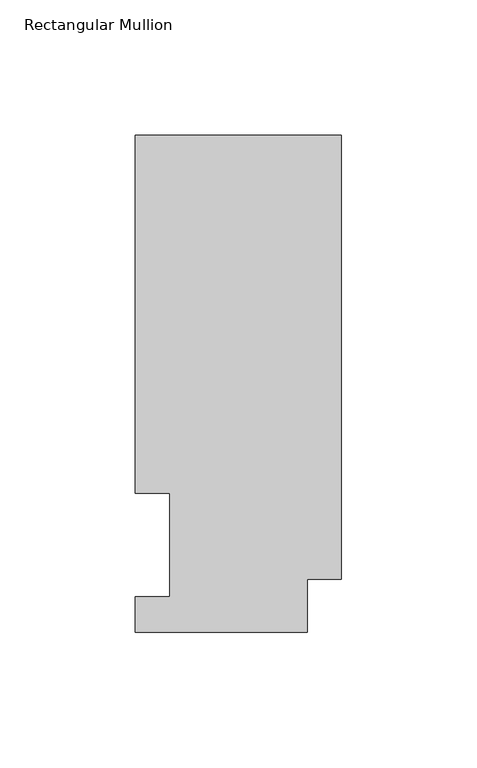
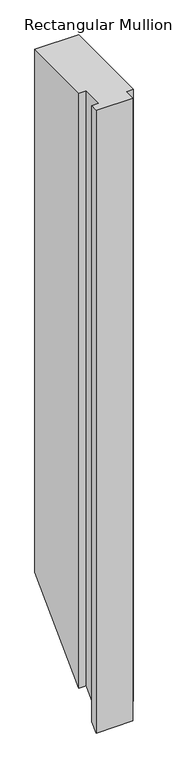
"""IFC4 building model written with IfcOpenShell, lengths in millimetres: member geometry, Rectangular Mullion."""

from ifc_helpers import new_model, si_unit, origin, place, context, project, spatial, faceted_brep, source, transform, mapped, element, save


def rectangular_mullion_c30aecb4(model_context):
    return source(origin(), model_context, "Body", "Brep", [
        faceted_brep([(-76.2000004, 183.6764448, 0.0), (-76.2000004, 51.2960938, 0.0), (-63.5127002, 51.2960938, 0.0), (-63.5127001, 13.2170446, 0.0), (-76.2, 13.2170446, 0.0), (-76.2, 0.0344446, 0.0), (-12.7, 0.0344448, 0.0), (-12.7, 19.5670448, 0.0), (0.0, 19.5670448, 0.0), (0.0, 183.6764448, 0.0), (0.0, 183.6764448, -959.337049), (-76.2000004, 183.6764448, -959.337049), (0.0, 19.5670448, -1123.446449), (-12.7, 19.5670448, -1123.446449), (-12.7, 0.0344448, -1142.979049), (-76.2, 0.0344446, -1142.9790491), (-76.2, 13.2170446, -1129.7964491), (-63.5127001, 13.2170446, -1129.7964491), (-63.5127002, 51.2960938, -1091.7174), (-76.2000004, 51.2960938, -1091.7174)], [[[0, 1, 2, 3, 4, 5, 6, 7, 8, 9]], [[0, 9, 10, 11]], [[9, 8, 12, 10]], [[8, 7, 13, 12]], [[7, 6, 14, 13]], [[6, 5, 15, 14]], [[5, 4, 16, 15]], [[4, 3, 17, 16]], [[3, 2, 18, 17]], [[2, 1, 19, 18]], [[1, 0, 11, 19]], [[11, 10, 12, 13, 14, 15, 16, 17, 18, 19]]]),
    ])


if __name__ == "__main__":
    model = new_model("IFC4")
    model_context = context("Model", 3, world=origin())
    ifc_project = project(units=[si_unit("LENGTHUNIT", "METRE", prefix="MILLI")], contexts=[model_context])
    site = spatial("IfcSite", under=ifc_project)
    building = spatial("IfcBuilding", under=site)
    placement = place(None, origin())
    rectangular_mullion_shape = rectangular_mullion_c30aecb4(model_context)
    element("IfcMember", 1, ObjectType="Rectangular Mullion", at=placement, inside=building, context=model_context, shape_type="MappedRepresentation", body=[
        mapped(rectangular_mullion_shape, transform((0.0, 0.0, 0.0), x_axis=(1.0, 0.0, 0.0), y_axis=(0.0, 1.0, 0.0), z_axis=(0.0, 0.0, 1.0))),
    ])
    save(model, "model.ifc")
